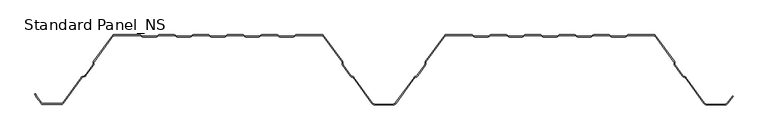
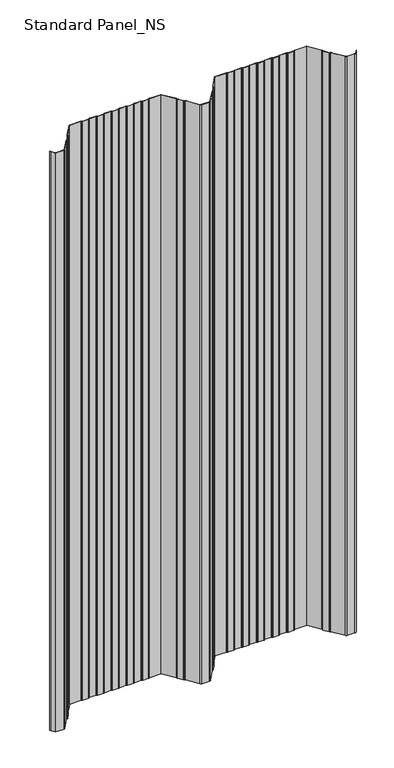
"""IFC4 building model written with IfcOpenShell, lengths in millimetres: proxy geometry, Standard Panel_NS."""

from ifc_helpers import new_model, si_unit, point, frame_2d, origin, origin_with_axes, place, context, project, spatial, polyline, circle_curve, trimmed, segment, composite_curve, outline, extrude, source, transform, mapped, element, save


def standard_panel_ns_b9357213(model_context):
    return source(origin(), model_context, "Body", "SweptSolid", [
        extrude(outline(composite_curve([segment(polyline([(-477.8230656, -98.864737), (-484.391455, -89.8048897), (-486.5883845, -85.4014829), (-485.6935696, -84.9550455), (-483.5334489, -89.2846747), (-477.0134552, -98.2777695)]), True, "CONTINUOUS"), segment(trimmed(circle_curve(frame_2d((-475.5977664, -97.2513951)), 1.7486049), [point((-477.0134552, -98.2777695))], [point((-475.5977664, -99.0))], True, "CARTESIAN"), True, "CONTINUOUS"), segment(polyline([(-475.5977664, -99.0), (-448.4022336, -99.0)]), True, "CONTINUOUS"), segment(trimmed(circle_curve(frame_2d((-448.4022336, -97.2513951)), 1.7486049), [point((-448.4022336, -99.0))], [point((-446.9865448, -98.2777695))], True, "CARTESIAN"), True, "CONTINUOUS"), segment(polyline([(-446.9865448, -98.2777695), (-420.1908292, -61.3181617)]), True, "CONTINUOUS"), segment(trimmed(circle_curve(frame_2d((-417.96553, -62.9315037)), 2.7486049), [point((-420.1908292, -61.3181617))], [point((-418.9221697, -60.3547481))], False, "CARTESIAN"), True, "CONTINUOUS"), segment(polyline([(-418.9221697, -60.3547481), (-415.1284966, -58.9463185)]), True, "CONTINUOUS"), segment(trimmed(circle_curve(frame_2d((-415.7370908, -57.3070406)), 1.7486049), [point((-415.1284966, -58.9463185))], [point((-414.321402, -58.333415))], True, "CARTESIAN"), True, "CONTINUOUS"), segment(polyline([(-414.321402, -58.333415), (-403.5718646, -43.5064668)]), True, "CONTINUOUS"), segment(trimmed(circle_curve(frame_2d((-404.9875533, -42.4800924)), 1.7486049), [point((-403.5718646, -43.5064668))], [point((-403.240299, -42.5488047))], True, "CARTESIAN"), True, "CONTINUOUS"), segment(polyline([(-403.240299, -42.5488047), (-403.1521237, -40.3066321)]), True, "CONTINUOUS"), segment(trimmed(circle_curve(frame_2d((-400.4056417, -40.4146398)), 2.7486049), [point((-403.1521237, -40.3066321))], [point((-402.6309409, -38.8012978))], False, "CARTESIAN"), True, "CONTINUOUS"), segment(polyline([(-402.6309409, -38.8012978), (-374.5, 0.0), (-336.1655439, 0.0)]), True, "CONTINUOUS"), segment(trimmed(circle_curve(frame_2d((-336.1655439, -2.7486049)), 2.7486049), [point((-336.1655439, 0.0))], [point((-334.6408923, -0.4616274))], False, "CARTESIAN"), True, "CONTINUOUS"), segment(polyline([(-334.6408923, -0.4616274), (-332.7738498, -1.7063223)]), True, "CONTINUOUS"), segment(trimmed(circle_curve(frame_2d((-331.8038984, -0.2513951)), 1.7486049), [point((-332.7738498, -1.7063223))], [point((-331.8038984, -2.0))], True, "CARTESIAN"), True, "CONTINUOUS"), segment(polyline([(-331.8038984, -2.0), (-312.8627683, -2.0)]), True, "CONTINUOUS"), segment(trimmed(circle_curve(frame_2d((-312.8627683, -0.2513951)), 1.7486049), [point((-312.8627683, -2.0))], [point((-311.8928168, -1.7063223))], True, "CARTESIAN"), True, "CONTINUOUS"), segment(polyline([(-311.8928168, -1.7063223), (-310.0257744, -0.4616274)]), True, "CONTINUOUS"), segment(trimmed(circle_curve(frame_2d((-308.5011227, -2.7486049)), 2.7486049), [point((-310.0257744, -0.4616274))], [point((-308.5011227, 0.0))], False, "CARTESIAN"), True, "CONTINUOUS"), segment(polyline([(-308.5011227, 0.0), (-286.9988773, 0.0)]), True, "CONTINUOUS"), segment(trimmed(circle_curve(frame_2d((-286.9988773, -2.7486049)), 2.7486049), [point((-286.9988773, 0.0))], [point((-285.4742256, -0.4616274))], False, "CARTESIAN"), True, "CONTINUOUS"), segment(polyline([(-285.4742256, -0.4616274), (-283.6071832, -1.7063223)]), True, "CONTINUOUS"), segment(trimmed(circle_curve(frame_2d((-282.6372317, -0.2513951)), 1.7486049), [point((-283.6071832, -1.7063223))], [point((-282.6372317, -2.0))], True, "CARTESIAN"), True, "CONTINUOUS"), segment(polyline([(-282.6372317, -2.0), (-263.6961016, -2.0)]), True, "CONTINUOUS"), segment(trimmed(circle_curve(frame_2d((-263.6961016, -0.2513951)), 1.7486049), [point((-263.6961016, -2.0))], [point((-262.7261502, -1.7063223))], True, "CARTESIAN"), True, "CONTINUOUS"), segment(polyline([(-262.7261502, -1.7063223), (-260.8591077, -0.4616274)]), True, "CONTINUOUS"), segment(trimmed(circle_curve(frame_2d((-259.3344561, -2.7486049)), 2.7486049), [point((-260.8591077, -0.4616274))], [point((-259.3344561, 0.0))], False, "CARTESIAN"), True, "CONTINUOUS"), segment(polyline([(-259.3344561, 0.0), (-237.8322106, 0.0)]), True, "CONTINUOUS"), segment(trimmed(circle_curve(frame_2d((-237.8322106, -2.7486049)), 2.7486049), [point((-237.8322106, 0.0))], [point((-236.3075589, -0.4616274))], False, "CARTESIAN"), True, "CONTINUOUS"), segment(polyline([(-236.3075589, -0.4616274), (-234.4405165, -1.7063223)]), True, "CONTINUOUS"), segment(trimmed(circle_curve(frame_2d((-233.470565, -0.2513951)), 1.7486049), [point((-234.4405165, -1.7063223))], [point((-233.470565, -2.0))], True, "CARTESIAN"), True, "CONTINUOUS"), segment(polyline([(-233.470565, -2.0), (-214.529435, -2.0)]), True, "CONTINUOUS"), segment(trimmed(circle_curve(frame_2d((-214.529435, -0.2513951)), 1.7486049), [point((-214.529435, -2.0))], [point((-213.5594835, -1.7063223))], True, "CARTESIAN"), True, "CONTINUOUS"), segment(polyline([(-213.5594835, -1.7063223), (-211.6924411, -0.4616274)]), True, "CONTINUOUS"), segment(trimmed(circle_curve(frame_2d((-210.1677894, -2.7486049)), 2.7486049), [point((-211.6924411, -0.4616274))], [point((-210.1677894, 0.0))], False, "CARTESIAN"), True, "CONTINUOUS"), segment(polyline([(-210.1677894, 0.0), (-188.6655439, 0.0)]), True, "CONTINUOUS"), segment(trimmed(circle_curve(frame_2d((-188.6655439, -2.7486049)), 2.7486049), [point((-188.6655439, 0.0))], [point((-187.1408923, -0.4616274))], False, "CARTESIAN"), True, "CONTINUOUS"), segment(polyline([(-187.1408923, -0.4616274), (-185.2738498, -1.7063223)]), True, "CONTINUOUS"), segment(trimmed(circle_curve(frame_2d((-184.3038984, -0.2513951)), 1.7486049), [point((-185.2738498, -1.7063223))], [point((-184.3038984, -2.0))], True, "CARTESIAN"), True, "CONTINUOUS"), segment(polyline([(-184.3038984, -2.0), (-165.3627683, -2.0)]), True, "CONTINUOUS"), segment(trimmed(circle_curve(frame_2d((-165.3627683, -0.2513951)), 1.7486049), [point((-165.3627683, -2.0))], [point((-164.3928168, -1.7063223))], True, "CARTESIAN"), True, "CONTINUOUS"), segment(polyline([(-164.3928168, -1.7063223), (-162.5257744, -0.4616274)]), True, "CONTINUOUS"), segment(trimmed(circle_curve(frame_2d((-161.0011227, -2.7486049)), 2.7486049), [point((-162.5257744, -0.4616274))], [point((-161.0011227, 0.0))], False, "CARTESIAN"), True, "CONTINUOUS"), segment(polyline([(-161.0011227, 0.0), (-139.4988773, 0.0)]), True, "CONTINUOUS"), segment(trimmed(circle_curve(frame_2d((-139.4988773, -2.7486049)), 2.7486049), [point((-139.4988773, 0.0))], [point((-137.9742256, -0.4616274))], False, "CARTESIAN"), True, "CONTINUOUS"), segment(polyline([(-137.9742256, -0.4616274), (-136.1071832, -1.7063223)]), True, "CONTINUOUS"), segment(trimmed(circle_curve(frame_2d((-135.1372317, -0.2513951)), 1.7486049), [point((-136.1071832, -1.7063223))], [point((-135.1372317, -2.0))], True, "CARTESIAN"), True, "CONTINUOUS"), segment(polyline([(-135.1372317, -2.0), (-116.1961016, -2.0)]), True, "CONTINUOUS"), segment(trimmed(circle_curve(frame_2d((-116.1961016, -0.2513951)), 1.7486049), [point((-116.1961016, -2.0))], [point((-115.2261502, -1.7063223))], True, "CARTESIAN"), True, "CONTINUOUS"), segment(polyline([(-115.2261502, -1.7063223), (-113.3591077, -0.4616274)]), True, "CONTINUOUS"), segment(trimmed(circle_curve(frame_2d((-111.8344561, -2.7486049)), 2.7486049), [point((-113.3591077, -0.4616274))], [point((-111.8344561, 0.0))], False, "CARTESIAN"), True, "CONTINUOUS"), segment(polyline([(-111.8344561, 0.0), (-73.5, 0.0), (-45.3690591, -38.8012978)]), True, "CONTINUOUS"), segment(trimmed(circle_curve(frame_2d((-47.5943583, -40.4146398)), 2.7486049), [point((-45.3690591, -38.8012978))], [point((-44.8478763, -40.3066321))], False, "CARTESIAN"), True, "CONTINUOUS"), segment(polyline([(-44.8478763, -40.3066321), (-44.759701, -42.5488047)]), True, "CONTINUOUS"), segment(trimmed(circle_curve(frame_2d((-43.0124467, -42.4800924)), 1.7486049), [point((-44.759701, -42.5488047))], [point((-44.4281354, -43.5064668))], True, "CARTESIAN"), True, "CONTINUOUS"), segment(polyline([(-44.4281354, -43.5064668), (-33.3103063, -58.8414035)]), True, "CONTINUOUS"), segment(trimmed(circle_curve(frame_2d((-31.8946175, -57.8150291)), 1.7486049), [point((-33.3103063, -58.8414035))], [point((-32.5032117, -59.4543071))], True, "CARTESIAN"), True, "CONTINUOUS"), segment(polyline([(-32.5032117, -59.4543071), (-30.3996004, -60.2352885)]), True, "CONTINUOUS"), segment(trimmed(circle_curve(frame_2d((-31.3562402, -62.8120441)), 2.7486049), [point((-30.3996004, -60.2352885))], [point((-29.1309409, -61.1987022))], False, "CARTESIAN"), True, "CONTINUOUS"), segment(polyline([(-29.1309409, -61.1987022), (-2.4972426, -97.9348379)]), True, "CONTINUOUS"), segment(trimmed(circle_curve(frame_2d((1.5508097, -95.0)), 5.0), [point((-2.4972426, -97.9348379))], [point((1.5508097, -100.0))], True, "CARTESIAN"), True, "CONTINUOUS"), segment(polyline([(1.5508097, -100.0), (26.4491903, -100.0)]), True, "CONTINUOUS"), segment(trimmed(circle_curve(frame_2d((26.4491903, -95.0)), 5.0), [point((26.4491903, -100.0))], [point((30.4972426, -97.9348379))], True, "CARTESIAN"), True, "CONTINUOUS"), segment(polyline([(30.4972426, -97.9348379), (57.1309409, -61.1987022)]), True, "CONTINUOUS"), segment(trimmed(circle_curve(frame_2d((59.3562402, -62.8120441)), 2.7486049), [point((57.1309409, -61.1987022))], [point((58.3996004, -60.2352885))], False, "CARTESIAN"), True, "CONTINUOUS"), segment(polyline([(58.3996004, -60.2352885), (60.5032117, -59.4543071)]), True, "CONTINUOUS"), segment(trimmed(circle_curve(frame_2d((59.8946175, -57.8150291)), 1.7486049), [point((60.5032117, -59.4543071))], [point((61.3103063, -58.8414035))], True, "CARTESIAN"), True, "CONTINUOUS"), segment(polyline([(61.3103063, -58.8414035), (72.4281354, -43.5064668)]), True, "CONTINUOUS"), segment(trimmed(circle_curve(frame_2d((71.0124467, -42.4800924)), 1.7486049), [point((72.4281354, -43.5064668))], [point((72.759701, -42.5488047))], True, "CARTESIAN"), True, "CONTINUOUS"), segment(polyline([(72.759701, -42.5488047), (72.8478763, -40.3066321)]), True, "CONTINUOUS"), segment(trimmed(circle_curve(frame_2d((75.5943583, -40.4146398)), 2.7486049), [point((72.8478763, -40.3066321))], [point((73.3690591, -38.8012978))], False, "CARTESIAN"), True, "CONTINUOUS"), segment(polyline([(73.3690591, -38.8012978), (101.5, 0.0), (139.8344561, 0.0)]), True, "CONTINUOUS"), segment(trimmed(circle_curve(frame_2d((139.8344561, -2.7486049)), 2.7486049), [point((139.8344561, 0.0))], [point((141.3591077, -0.4616274))], False, "CARTESIAN"), True, "CONTINUOUS"), segment(polyline([(141.3591077, -0.4616274), (143.2261502, -1.7063223)]), True, "CONTINUOUS"), segment(trimmed(circle_curve(frame_2d((144.1961016, -0.2513951)), 1.7486049), [point((143.2261502, -1.7063223))], [point((144.1961016, -2.0))], True, "CARTESIAN"), True, "CONTINUOUS"), segment(polyline([(144.1961016, -2.0), (163.1372317, -2.0)]), True, "CONTINUOUS"), segment(trimmed(circle_curve(frame_2d((163.1372317, -0.2513951)), 1.7486049), [point((163.1372317, -2.0))], [point((164.1071832, -1.7063223))], True, "CARTESIAN"), True, "CONTINUOUS"), segment(polyline([(164.1071832, -1.7063223), (165.9742256, -0.4616274)]), True, "CONTINUOUS"), segment(trimmed(circle_curve(frame_2d((167.4988773, -2.7486049)), 2.7486049), [point((165.9742256, -0.4616274))], [point((167.4988773, 0.0))], False, "CARTESIAN"), True, "CONTINUOUS"), segment(polyline([(167.4988773, 0.0), (189.0011227, 0.0)]), True, "CONTINUOUS"), segment(trimmed(circle_curve(frame_2d((189.0011227, -2.7486049)), 2.7486049), [point((189.0011227, 0.0))], [point((190.5257744, -0.4616274))], False, "CARTESIAN"), True, "CONTINUOUS"), segment(polyline([(190.5257744, -0.4616274), (192.3928168, -1.7063223)]), True, "CONTINUOUS"), segment(trimmed(circle_curve(frame_2d((193.3627683, -0.2513951)), 1.7486049), [point((192.3928168, -1.7063223))], [point((193.3627683, -2.0))], True, "CARTESIAN"), True, "CONTINUOUS"), segment(polyline([(193.3627683, -2.0), (212.3038984, -2.0)]), True, "CONTINUOUS"), segment(trimmed(circle_curve(frame_2d((212.3038984, -0.2513951)), 1.7486049), [point((212.3038984, -2.0))], [point((213.2738498, -1.7063223))], True, "CARTESIAN"), True, "CONTINUOUS"), segment(polyline([(213.2738498, -1.7063223), (215.1408923, -0.4616274)]), True, "CONTINUOUS"), segment(trimmed(circle_curve(frame_2d((216.6655439, -2.7486049)), 2.7486049), [point((215.1408923, -0.4616274))], [point((216.6655439, 0.0))], False, "CARTESIAN"), True, "CONTINUOUS"), segment(polyline([(216.6655439, 0.0), (238.1677894, 0.0)]), True, "CONTINUOUS"), segment(trimmed(circle_curve(frame_2d((238.1677894, -2.7486049)), 2.7486049), [point((238.1677894, 0.0))], [point((239.6924411, -0.4616274))], False, "CARTESIAN"), True, "CONTINUOUS"), segment(polyline([(239.6924411, -0.4616274), (241.5594835, -1.7063223)]), True, "CONTINUOUS"), segment(trimmed(circle_curve(frame_2d((242.529435, -0.2513951)), 1.7486049), [point((241.5594835, -1.7063223))], [point((242.529435, -2.0))], True, "CARTESIAN"), True, "CONTINUOUS"), segment(polyline([(242.529435, -2.0), (261.470565, -2.0)]), True, "CONTINUOUS"), segment(trimmed(circle_curve(frame_2d((261.470565, -0.2513951)), 1.7486049), [point((261.470565, -2.0))], [point((262.4405165, -1.7063223))], True, "CARTESIAN"), True, "CONTINUOUS"), segment(polyline([(262.4405165, -1.7063223), (264.3075589, -0.4616274)]), True, "CONTINUOUS"), segment(trimmed(circle_curve(frame_2d((265.8322106, -2.7486049)), 2.7486049), [point((264.3075589, -0.4616274))], [point((265.8322106, 0.0))], False, "CARTESIAN"), True, "CONTINUOUS"), segment(polyline([(265.8322106, 0.0), (287.3344561, 0.0)]), True, "CONTINUOUS"), segment(trimmed(circle_curve(frame_2d((287.3344561, -2.7486049)), 2.7486049), [point((287.3344561, 0.0))], [point((288.8591077, -0.4616274))], False, "CARTESIAN"), True, "CONTINUOUS"), segment(polyline([(288.8591077, -0.4616274), (290.7261502, -1.7063223)]), True, "CONTINUOUS"), segment(trimmed(circle_curve(frame_2d((291.6961016, -0.2513951)), 1.7486049), [point((290.7261502, -1.7063223))], [point((291.6961016, -2.0))], True, "CARTESIAN"), True, "CONTINUOUS"), segment(polyline([(291.6961016, -2.0), (310.6372317, -2.0)]), True, "CONTINUOUS"), segment(trimmed(circle_curve(frame_2d((310.6372317, -0.2513951)), 1.7486049), [point((310.6372317, -2.0))], [point((311.6071832, -1.7063223))], True, "CARTESIAN"), True, "CONTINUOUS"), segment(polyline([(311.6071832, -1.7063223), (313.4742256, -0.4616274)]), True, "CONTINUOUS"), segment(trimmed(circle_curve(frame_2d((314.9988773, -2.7486049)), 2.7486049), [point((313.4742256, -0.4616274))], [point((314.9988773, 0.0))], False, "CARTESIAN"), True, "CONTINUOUS"), segment(polyline([(314.9988773, 0.0), (336.5011227, 0.0)]), True, "CONTINUOUS"), segment(trimmed(circle_curve(frame_2d((336.5011227, -2.7486049)), 2.7486049), [point((336.5011227, 0.0))], [point((338.0257744, -0.4616274))], False, "CARTESIAN"), True, "CONTINUOUS"), segment(polyline([(338.0257744, -0.4616274), (339.8928168, -1.7063223)]), True, "CONTINUOUS"), segment(trimmed(circle_curve(frame_2d((340.8627683, -0.2513951)), 1.7486049), [point((339.8928168, -1.7063223))], [point((340.8627683, -2.0))], True, "CARTESIAN"), True, "CONTINUOUS"), segment(polyline([(340.8627683, -2.0), (359.8038984, -2.0)]), True, "CONTINUOUS"), segment(trimmed(circle_curve(frame_2d((359.8038984, -0.2513951)), 1.7486049), [point((359.8038984, -2.0))], [point((360.7738498, -1.7063223))], True, "CARTESIAN"), True, "CONTINUOUS"), segment(polyline([(360.7738498, -1.7063223), (362.6408923, -0.4616274)]), True, "CONTINUOUS"), segment(trimmed(circle_curve(frame_2d((364.1655439, -2.7486049)), 2.7486049), [point((362.6408923, -0.4616274))], [point((364.1655439, 0.0))], False, "CARTESIAN"), True, "CONTINUOUS"), segment(polyline([(364.1655439, 0.0), (402.5, 0.0), (430.6309409, -38.8012978)]), True, "CONTINUOUS"), segment(trimmed(circle_curve(frame_2d((428.4056417, -40.4146398)), 2.7486049), [point((430.6309409, -38.8012978))], [point((431.1521237, -40.3066321))], False, "CARTESIAN"), True, "CONTINUOUS"), segment(polyline([(431.1521237, -40.3066321), (431.240299, -42.5488047)]), True, "CONTINUOUS"), segment(trimmed(circle_curve(frame_2d((432.9875533, -42.4800924)), 1.7486049), [point((431.240299, -42.5488047))], [point((431.5718646, -43.5064668))], True, "CARTESIAN"), True, "CONTINUOUS"), segment(polyline([(431.5718646, -43.5064668), (442.6896937, -58.8414035)]), True, "CONTINUOUS"), segment(trimmed(circle_curve(frame_2d((444.1053825, -57.8150291)), 1.7486049), [point((442.6896937, -58.8414035))], [point((443.4967883, -59.4543071))], True, "CARTESIAN"), True, "CONTINUOUS"), segment(polyline([(443.4967883, -59.4543071), (445.6003996, -60.2352885)]), True, "CONTINUOUS"), segment(trimmed(circle_curve(frame_2d((444.6437598, -62.8120441)), 2.7486049), [point((445.6003996, -60.2352885))], [point((446.8690591, -61.1987022))], False, "CARTESIAN"), True, "CONTINUOUS"), segment(polyline([(446.8690591, -61.1987022), (473.5027574, -97.9348379)]), True, "CONTINUOUS"), segment(trimmed(circle_curve(frame_2d((477.5508097, -95.0)), 5.0), [point((473.5027574, -97.9348379))], [point((477.5508097, -100.0))], True, "CARTESIAN"), True, "CONTINUOUS"), segment(polyline([(477.5508097, -100.0), (502.4491903, -100.0)]), True, "CONTINUOUS"), segment(trimmed(circle_curve(frame_2d((502.4491903, -95.0)), 5.0), [point((502.4491903, -100.0))], [point((506.4972426, -97.9348379))], True, "CARTESIAN"), True, "CONTINUOUS"), segment(polyline([(506.4972426, -97.9348379), (513.8045136, -87.8558433), (514.614124, -88.4428109), (507.306853, -98.5218054)]), True, "CONTINUOUS"), segment(trimmed(circle_curve(frame_2d((502.4491903, -95.0)), 6.0), [point((507.306853, -98.5218054))], [point((502.4491903, -101.0))], False, "CARTESIAN"), True, "CONTINUOUS"), segment(polyline([(502.4491903, -101.0), (477.5508097, -101.0)]), True, "CONTINUOUS"), segment(trimmed(circle_curve(frame_2d((477.5508097, -95.0)), 6.0), [point((477.5508097, -101.0))], [point((472.693147, -98.5218054))], False, "CARTESIAN"), True, "CONTINUOUS"), segment(polyline([(472.693147, -98.5218054), (446.0594486, -61.7856697)]), True, "CONTINUOUS"), segment(trimmed(circle_curve(frame_2d((444.6437598, -62.8120441)), 1.7486049), [point((446.0594486, -61.7856697))], [point((445.252354, -61.1727662))], True, "CARTESIAN"), True, "CONTINUOUS"), segment(polyline([(445.252354, -61.1727662), (443.1487427, -60.3917847)]), True, "CONTINUOUS"), segment(trimmed(circle_curve(frame_2d((444.1053825, -57.8150291)), 2.7486049), [point((443.1487427, -60.3917847))], [point((441.8800832, -59.4283711))], False, "CARTESIAN"), True, "CONTINUOUS"), segment(polyline([(441.8800832, -59.4283711), (430.7622541, -44.0934344)]), True, "CONTINUOUS"), segment(trimmed(circle_curve(frame_2d((432.9875533, -42.4800924)), 2.7486049), [point((430.7622541, -44.0934344))], [point((430.2410714, -42.5881001))], False, "CARTESIAN"), True, "CONTINUOUS"), segment(polyline([(430.2410714, -42.5881001), (430.152896, -40.3459275)]), True, "CONTINUOUS"), segment(trimmed(circle_curve(frame_2d((428.4056417, -40.4146398)), 1.7486049), [point((430.152896, -40.3459275))], [point((429.8213305, -39.3882654))], True, "CARTESIAN"), True, "CONTINUOUS"), segment(polyline([(429.8213305, -39.3882654), (401.9898381, -1.0), (364.1655439, -1.0)]), True, "CONTINUOUS"), segment(trimmed(circle_curve(frame_2d((364.1655439, -2.7486049)), 1.7486049), [point((364.1655439, -1.0))], [point((363.1955925, -1.2936777))], True, "CARTESIAN"), True, "CONTINUOUS"), segment(polyline([(363.1955925, -1.2936777), (361.32855, -2.5383726)]), True, "CONTINUOUS"), segment(trimmed(circle_curve(frame_2d((359.8038984, -0.2513951)), 2.7486049), [point((361.32855, -2.5383726))], [point((359.8038984, -3.0))], False, "CARTESIAN"), True, "CONTINUOUS"), segment(polyline([(359.8038984, -3.0), (340.8627683, -3.0)]), True, "CONTINUOUS"), segment(trimmed(circle_curve(frame_2d((340.8627683, -0.2513951)), 2.7486049), [point((340.8627683, -3.0))], [point((339.3381166, -2.5383726))], False, "CARTESIAN"), True, "CONTINUOUS"), segment(polyline([(339.3381166, -2.5383726), (337.4710742, -1.2936777)]), True, "CONTINUOUS"), segment(trimmed(circle_curve(frame_2d((336.5011227, -2.7486049)), 1.7486049), [point((337.4710742, -1.2936777))], [point((336.5011227, -1.0))], True, "CARTESIAN"), True, "CONTINUOUS"), segment(polyline([(336.5011227, -1.0), (314.9988773, -1.0)]), True, "CONTINUOUS"), segment(trimmed(circle_curve(frame_2d((314.9988773, -2.7486049)), 1.7486049), [point((314.9988773, -1.0))], [point((314.0289258, -1.2936777))], True, "CARTESIAN"), True, "CONTINUOUS"), segment(polyline([(314.0289258, -1.2936777), (312.1618834, -2.5383726)]), True, "CONTINUOUS"), segment(trimmed(circle_curve(frame_2d((310.6372317, -0.2513951)), 2.7486049), [point((312.1618834, -2.5383726))], [point((310.6372317, -3.0))], False, "CARTESIAN"), True, "CONTINUOUS"), segment(polyline([(310.6372317, -3.0), (291.6961016, -3.0)]), True, "CONTINUOUS"), segment(trimmed(circle_curve(frame_2d((291.6961016, -0.2513951)), 2.7486049), [point((291.6961016, -3.0))], [point((290.17145, -2.5383726))], False, "CARTESIAN"), True, "CONTINUOUS"), segment(polyline([(290.17145, -2.5383726), (288.3044075, -1.2936777)]), True, "CONTINUOUS"), segment(trimmed(circle_curve(frame_2d((287.3344561, -2.7486049)), 1.7486049), [point((288.3044075, -1.2936777))], [point((287.3344561, -1.0))], True, "CARTESIAN"), True, "CONTINUOUS"), segment(polyline([(287.3344561, -1.0), (265.8322106, -1.0)]), True, "CONTINUOUS"), segment(trimmed(circle_curve(frame_2d((265.8322106, -2.7486049)), 1.7486049), [point((265.8322106, -1.0))], [point((264.8622591, -1.2936777))], True, "CARTESIAN"), True, "CONTINUOUS"), segment(polyline([(264.8622591, -1.2936777), (262.9952167, -2.5383726)]), True, "CONTINUOUS"), segment(trimmed(circle_curve(frame_2d((261.470565, -0.2513951)), 2.7486049), [point((262.9952167, -2.5383726))], [point((261.470565, -3.0))], False, "CARTESIAN"), True, "CONTINUOUS"), segment(polyline([(261.470565, -3.0), (242.529435, -3.0)]), True, "CONTINUOUS"), segment(trimmed(circle_curve(frame_2d((242.529435, -0.2513951)), 2.7486049), [point((242.529435, -3.0))], [point((241.0047833, -2.5383726))], False, "CARTESIAN"), True, "CONTINUOUS"), segment(polyline([(241.0047833, -2.5383726), (239.1377409, -1.2936777)]), True, "CONTINUOUS"), segment(trimmed(circle_curve(frame_2d((238.1677894, -2.7486049)), 1.7486049), [point((239.1377409, -1.2936777))], [point((238.1677894, -1.0))], True, "CARTESIAN"), True, "CONTINUOUS"), segment(polyline([(238.1677894, -1.0), (216.6655439, -1.0)]), True, "CONTINUOUS"), segment(trimmed(circle_curve(frame_2d((216.6655439, -2.7486049)), 1.7486049), [point((216.6655439, -1.0))], [point((215.6955925, -1.2936777))], True, "CARTESIAN"), True, "CONTINUOUS"), segment(polyline([(215.6955925, -1.2936777), (213.82855, -2.5383726)]), True, "CONTINUOUS"), segment(trimmed(circle_curve(frame_2d((212.3038984, -0.2513951)), 2.7486049), [point((213.82855, -2.5383726))], [point((212.3038984, -3.0))], False, "CARTESIAN"), True, "CONTINUOUS"), segment(polyline([(212.3038984, -3.0), (193.3627683, -3.0)]), True, "CONTINUOUS"), segment(trimmed(circle_curve(frame_2d((193.3627683, -0.2513951)), 2.7486049), [point((193.3627683, -3.0))], [point((191.8381166, -2.5383726))], False, "CARTESIAN"), True, "CONTINUOUS"), segment(polyline([(191.8381166, -2.5383726), (189.9710742, -1.2936777)]), True, "CONTINUOUS"), segment(trimmed(circle_curve(frame_2d((189.0011227, -2.7486049)), 1.7486049), [point((189.9710742, -1.2936777))], [point((189.0011227, -1.0))], True, "CARTESIAN"), True, "CONTINUOUS"), segment(polyline([(189.0011227, -1.0), (167.4988773, -1.0)]), True, "CONTINUOUS"), segment(trimmed(circle_curve(frame_2d((167.4988773, -2.7486049)), 1.7486049), [point((167.4988773, -1.0))], [point((166.5289258, -1.2936777))], True, "CARTESIAN"), True, "CONTINUOUS"), segment(polyline([(166.5289258, -1.2936777), (164.6618834, -2.5383726)]), True, "CONTINUOUS"), segment(trimmed(circle_curve(frame_2d((163.1372317, -0.2513951)), 2.7486049), [point((164.6618834, -2.5383726))], [point((163.1372317, -3.0))], False, "CARTESIAN"), True, "CONTINUOUS"), segment(polyline([(163.1372317, -3.0), (144.1961016, -3.0)]), True, "CONTINUOUS"), segment(trimmed(circle_curve(frame_2d((144.1961016, -0.2513951)), 2.7486049), [point((144.1961016, -3.0))], [point((142.67145, -2.5383726))], False, "CARTESIAN"), True, "CONTINUOUS"), segment(polyline([(142.67145, -2.5383726), (140.8044075, -1.2936777)]), True, "CONTINUOUS"), segment(trimmed(circle_curve(frame_2d((139.8344561, -2.7486049)), 1.7486049), [point((140.8044075, -1.2936777))], [point((139.8344561, -1.0))], True, "CARTESIAN"), True, "CONTINUOUS"), segment(polyline([(139.8344561, -1.0), (102.0101619, -1.0), (74.1786695, -39.3882654)]), True, "CONTINUOUS"), segment(trimmed(circle_curve(frame_2d((75.5943583, -40.4146398)), 1.7486049), [point((74.1786695, -39.3882654))], [point((73.847104, -40.3459275))], True, "CARTESIAN"), True, "CONTINUOUS"), segment(polyline([(73.847104, -40.3459275), (73.7589286, -42.5881001)]), True, "CONTINUOUS"), segment(trimmed(circle_curve(frame_2d((71.0124467, -42.4800924)), 2.7486049), [point((73.7589286, -42.5881001))], [point((73.2377459, -44.0934344))], False, "CARTESIAN"), True, "CONTINUOUS"), segment(polyline([(73.2377459, -44.0934344), (62.1199168, -59.4283711)]), True, "CONTINUOUS"), segment(trimmed(circle_curve(frame_2d((59.8946175, -57.8150291)), 2.7486049), [point((62.1199168, -59.4283711))], [point((60.8512573, -60.3917847))], False, "CARTESIAN"), True, "CONTINUOUS"), segment(polyline([(60.8512573, -60.3917847), (58.747646, -61.1727662)]), True, "CONTINUOUS"), segment(trimmed(circle_curve(frame_2d((59.3562402, -62.8120441)), 1.7486049), [point((58.747646, -61.1727662))], [point((57.9405514, -61.7856697))], True, "CARTESIAN"), True, "CONTINUOUS"), segment(polyline([(57.9405514, -61.7856697), (31.306853, -98.5218054)]), True, "CONTINUOUS"), segment(trimmed(circle_curve(frame_2d((26.4491903, -95.0)), 6.0), [point((31.306853, -98.5218054))], [point((26.4491903, -101.0))], False, "CARTESIAN"), True, "CONTINUOUS"), segment(polyline([(26.4491903, -101.0), (1.5508097, -101.0)]), True, "CONTINUOUS"), segment(trimmed(circle_curve(frame_2d((1.5508097, -95.0)), 6.0), [point((1.5508097, -101.0))], [point((-3.306853, -98.5218054))], False, "CARTESIAN"), True, "CONTINUOUS"), segment(polyline([(-3.306853, -98.5218054), (-29.9405514, -61.7856697)]), True, "CONTINUOUS"), segment(trimmed(circle_curve(frame_2d((-31.3562402, -62.8120441)), 1.7486049), [point((-29.9405514, -61.7856697))], [point((-30.747646, -61.1727662))], True, "CARTESIAN"), True, "CONTINUOUS"), segment(polyline([(-30.747646, -61.1727662), (-32.8512573, -60.3917847)]), True, "CONTINUOUS"), segment(trimmed(circle_curve(frame_2d((-31.8946175, -57.8150291)), 2.7486049), [point((-32.8512573, -60.3917847))], [point((-34.1199168, -59.4283711))], False, "CARTESIAN"), True, "CONTINUOUS"), segment(polyline([(-34.1199168, -59.4283711), (-45.2377459, -44.0934344)]), True, "CONTINUOUS"), segment(trimmed(circle_curve(frame_2d((-43.0124467, -42.4800924)), 2.7486049), [point((-45.2377459, -44.0934344))], [point((-45.7589286, -42.5881001))], False, "CARTESIAN"), True, "CONTINUOUS"), segment(polyline([(-45.7589286, -42.5881001), (-45.847104, -40.3459275)]), True, "CONTINUOUS"), segment(trimmed(circle_curve(frame_2d((-47.5943583, -40.4146398)), 1.7486049), [point((-45.847104, -40.3459275))], [point((-46.1786695, -39.3882654))], True, "CARTESIAN"), True, "CONTINUOUS"), segment(polyline([(-46.1786695, -39.3882654), (-74.0101619, -1.0), (-111.8344561, -1.0)]), True, "CONTINUOUS"), segment(trimmed(circle_curve(frame_2d((-111.8344561, -2.7486049)), 1.7486049), [point((-111.8344561, -1.0))], [point((-112.8044075, -1.2936777))], True, "CARTESIAN"), True, "CONTINUOUS"), segment(polyline([(-112.8044075, -1.2936777), (-114.67145, -2.5383726)]), True, "CONTINUOUS"), segment(trimmed(circle_curve(frame_2d((-116.1961016, -0.2513951)), 2.7486049), [point((-114.67145, -2.5383726))], [point((-116.1961016, -3.0))], False, "CARTESIAN"), True, "CONTINUOUS"), segment(polyline([(-116.1961016, -3.0), (-135.1372317, -3.0)]), True, "CONTINUOUS"), segment(trimmed(circle_curve(frame_2d((-135.1372317, -0.2513951)), 2.7486049), [point((-135.1372317, -3.0))], [point((-136.6618834, -2.5383726))], False, "CARTESIAN"), True, "CONTINUOUS"), segment(polyline([(-136.6618834, -2.5383726), (-138.5289258, -1.2936777)]), True, "CONTINUOUS"), segment(trimmed(circle_curve(frame_2d((-139.4988773, -2.7486049)), 1.7486049), [point((-138.5289258, -1.2936777))], [point((-139.4988773, -1.0))], True, "CARTESIAN"), True, "CONTINUOUS"), segment(polyline([(-139.4988773, -1.0), (-161.0011227, -1.0)]), True, "CONTINUOUS"), segment(trimmed(circle_curve(frame_2d((-161.0011227, -2.7486049)), 1.7486049), [point((-161.0011227, -1.0))], [point((-161.9710742, -1.2936777))], True, "CARTESIAN"), True, "CONTINUOUS"), segment(polyline([(-161.9710742, -1.2936777), (-163.8381166, -2.5383726)]), True, "CONTINUOUS"), segment(trimmed(circle_curve(frame_2d((-165.3627683, -0.2513951)), 2.7486049), [point((-163.8381166, -2.5383726))], [point((-165.3627683, -3.0))], False, "CARTESIAN"), True, "CONTINUOUS"), segment(polyline([(-165.3627683, -3.0), (-184.3038984, -3.0)]), True, "CONTINUOUS"), segment(trimmed(circle_curve(frame_2d((-184.3038984, -0.2513951)), 2.7486049), [point((-184.3038984, -3.0))], [point((-185.82855, -2.5383726))], False, "CARTESIAN"), True, "CONTINUOUS"), segment(polyline([(-185.82855, -2.5383726), (-187.6955925, -1.2936777)]), True, "CONTINUOUS"), segment(trimmed(circle_curve(frame_2d((-188.6655439, -2.7486049)), 1.7486049), [point((-187.6955925, -1.2936777))], [point((-188.6655439, -1.0))], True, "CARTESIAN"), True, "CONTINUOUS"), segment(polyline([(-188.6655439, -1.0), (-210.1677894, -1.0)]), True, "CONTINUOUS"), segment(trimmed(circle_curve(frame_2d((-210.1677894, -2.7486049)), 1.7486049), [point((-210.1677894, -1.0))], [point((-211.1377409, -1.2936777))], True, "CARTESIAN"), True, "CONTINUOUS"), segment(polyline([(-211.1377409, -1.2936777), (-213.0047833, -2.5383726)]), True, "CONTINUOUS"), segment(trimmed(circle_curve(frame_2d((-214.529435, -0.2513951)), 2.7486049), [point((-213.0047833, -2.5383726))], [point((-214.529435, -3.0))], False, "CARTESIAN"), True, "CONTINUOUS"), segment(polyline([(-214.529435, -3.0), (-233.470565, -3.0)]), True, "CONTINUOUS"), segment(trimmed(circle_curve(frame_2d((-233.470565, -0.2513951)), 2.7486049), [point((-233.470565, -3.0))], [point((-234.9952167, -2.5383726))], False, "CARTESIAN"), True, "CONTINUOUS"), segment(polyline([(-234.9952167, -2.5383726), (-236.8622591, -1.2936777)]), True, "CONTINUOUS"), segment(trimmed(circle_curve(frame_2d((-237.8322106, -2.7486049)), 1.7486049), [point((-236.8622591, -1.2936777))], [point((-237.8322106, -1.0))], True, "CARTESIAN"), True, "CONTINUOUS"), segment(polyline([(-237.8322106, -1.0), (-259.3344561, -1.0)]), True, "CONTINUOUS"), segment(trimmed(circle_curve(frame_2d((-259.3344561, -2.7486049)), 1.7486049), [point((-259.3344561, -1.0))], [point((-260.3044075, -1.2936777))], True, "CARTESIAN"), True, "CONTINUOUS"), segment(polyline([(-260.3044075, -1.2936777), (-262.17145, -2.5383726)]), True, "CONTINUOUS"), segment(trimmed(circle_curve(frame_2d((-263.6961016, -0.2513951)), 2.7486049), [point((-262.17145, -2.5383726))], [point((-263.6961016, -3.0))], False, "CARTESIAN"), True, "CONTINUOUS"), segment(polyline([(-263.6961016, -3.0), (-282.6372317, -3.0)]), True, "CONTINUOUS"), segment(trimmed(circle_curve(frame_2d((-282.6372317, -0.2513951)), 2.7486049), [point((-282.6372317, -3.0))], [point((-284.1618834, -2.5383726))], False, "CARTESIAN"), True, "CONTINUOUS"), segment(polyline([(-284.1618834, -2.5383726), (-286.0289258, -1.2936777)]), True, "CONTINUOUS"), segment(trimmed(circle_curve(frame_2d((-286.9988773, -2.7486049)), 1.7486049), [point((-286.0289258, -1.2936777))], [point((-286.9988773, -1.0))], True, "CARTESIAN"), True, "CONTINUOUS"), segment(polyline([(-286.9988773, -1.0), (-308.5011227, -1.0)]), True, "CONTINUOUS"), segment(trimmed(circle_curve(frame_2d((-308.5011227, -2.7486049)), 1.7486049), [point((-308.5011227, -1.0))], [point((-309.4710742, -1.2936777))], True, "CARTESIAN"), True, "CONTINUOUS"), segment(polyline([(-309.4710742, -1.2936777), (-311.3381166, -2.5383726)]), True, "CONTINUOUS"), segment(trimmed(circle_curve(frame_2d((-312.8627683, -0.2513951)), 2.7486049), [point((-311.3381166, -2.5383726))], [point((-312.8627683, -3.0))], False, "CARTESIAN"), True, "CONTINUOUS"), segment(polyline([(-312.8627683, -3.0), (-331.8038984, -3.0)]), True, "CONTINUOUS"), segment(trimmed(circle_curve(frame_2d((-331.8038984, -0.2513951)), 2.7486049), [point((-331.8038984, -3.0))], [point((-333.32855, -2.5383726))], False, "CARTESIAN"), True, "CONTINUOUS"), segment(polyline([(-333.32855, -2.5383726), (-335.1955925, -1.2936777)]), True, "CONTINUOUS"), segment(trimmed(circle_curve(frame_2d((-336.1655439, -2.7486049)), 1.7486049), [point((-335.1955925, -1.2936777))], [point((-336.1655439, -1.0))], True, "CARTESIAN"), True, "CONTINUOUS"), segment(polyline([(-336.1655439, -1.0), (-373.9898381, -1.0), (-401.8213305, -39.3882654)]), True, "CONTINUOUS"), segment(trimmed(circle_curve(frame_2d((-400.4056417, -40.4146398)), 1.7486049), [point((-401.8213305, -39.3882654))], [point((-402.152896, -40.3459275))], True, "CARTESIAN"), True, "CONTINUOUS"), segment(polyline([(-402.152896, -40.3459275), (-402.2410714, -42.5881001)]), True, "CONTINUOUS"), segment(trimmed(circle_curve(frame_2d((-404.9875533, -42.4800924)), 2.7486049), [point((-402.2410714, -42.5881001))], [point((-402.7622541, -44.0934344))], False, "CARTESIAN"), True, "CONTINUOUS"), segment(polyline([(-402.7622541, -44.0934344), (-413.5117915, -58.9203825)]), True, "CONTINUOUS"), segment(trimmed(circle_curve(frame_2d((-415.7370908, -57.3070406)), 2.7486049), [point((-413.5117915, -58.9203825))], [point((-414.780451, -59.8837962))], False, "CARTESIAN"), True, "CONTINUOUS"), segment(polyline([(-414.780451, -59.8837962), (-418.5741242, -61.2922257)]), True, "CONTINUOUS"), segment(trimmed(circle_curve(frame_2d((-417.96553, -62.9315037)), 1.7486049), [point((-418.5741242, -61.2922257))], [point((-419.3812187, -61.9051293))], True, "CARTESIAN"), True, "CONTINUOUS"), segment(polyline([(-419.3812187, -61.9051293), (-446.1769344, -98.864737)]), True, "CONTINUOUS"), segment(trimmed(circle_curve(frame_2d((-448.4022336, -97.2513951)), 2.7486049), [point((-446.1769344, -98.864737))], [point((-448.4022336, -100.0))], False, "CARTESIAN"), True, "CONTINUOUS"), segment(polyline([(-448.4022336, -100.0), (-475.5977664, -100.0)]), True, "CONTINUOUS"), segment(trimmed(circle_curve(frame_2d((-475.5977664, -97.2513951)), 2.7486049), [point((-475.5977664, -100.0))], [point((-477.8230656, -98.864737))], False, "CARTESIAN"), True, "CONTINUOUS")], self_intersect=False)), origin_with_axes(), (0.0, 0.0, 1.0), 2000.0),
    ])


if __name__ == "__main__":
    model = new_model("IFC4")
    model_context = context("Model", 3, world=origin())
    ifc_project = project(units=[si_unit("LENGTHUNIT", "METRE", prefix="MILLI")], contexts=[model_context])
    site = spatial("IfcSite", under=ifc_project)
    building = spatial("IfcBuilding", under=site)
    placement = place(None, origin())
    standard_panel_ns_shape = standard_panel_ns_b9357213(model_context)
    element("IfcBuildingElementProxy", 1, Name="Standard Panel_NS", ObjectType="Standard Panel_NS", at=placement, inside=building, context=model_context, shape_type="MappedRepresentation", body=[
        mapped(standard_panel_ns_shape, transform((0.0, 0.0, 0.0), x_axis=(1.0, 0.0, 0.0), y_axis=(0.0, 1.0, 0.0), z_axis=(0.0, 0.0, 1.0))),
    ])
    save(model, "model.ifc")
